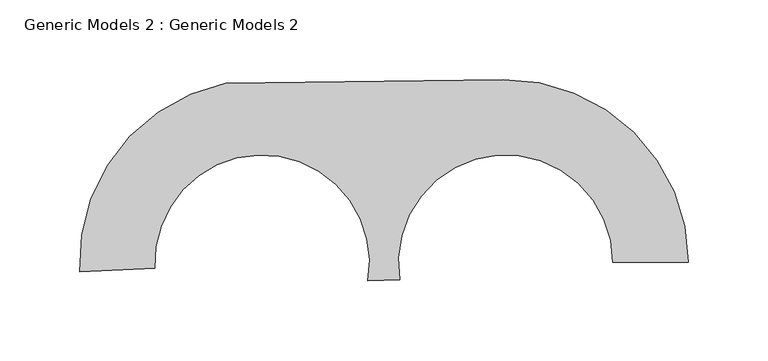
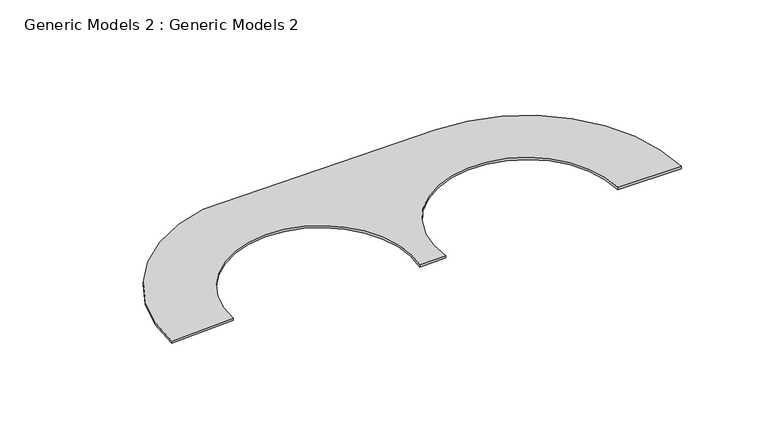
"""IFC4 building model written with IfcOpenShell, lengths in millimetres: proxy geometry, Generic Models 2 : Generic Models 2."""

from ifc_helpers import new_model, si_unit, point, frame, frame_2d, origin, place, context, project, spatial, polyline, circle_curve, trimmed, segment, composite_curve, outline, extrude, source, transform, mapped, element, save


def generic_models_2_generic_models_2_5673172b(model_context):
    return source(origin(), model_context, "Body", "SweptSolid", [
        extrude(outline(composite_curve([segment(trimmed(circle_curve(frame_2d((24.9249503, 26.8183165)), 114.3), [point((-89.2179094, 20.8268587))], [point((2.2682604, 138.8502959))], False, "CARTESIAN"), True, "CONTINUOUS"), segment(polyline([(2.2682604, 138.8502959), (175.8378976, 141.1086427)]), True, "CONTINUOUS"), segment(trimmed(circle_curve(frame_2d((177.3249503, 26.8183165)), 114.3), [point((175.8378976, 141.1086427))], [point((291.6249503, 26.8183165))], False, "CARTESIAN"), True, "CONTINUOUS"), segment(polyline([(291.6249503, 26.8183165), (244.5796967, 26.8183165)]), True, "CONTINUOUS"), segment(trimmed(circle_curve(frame_2d((177.3249503, 26.8183165)), 67.2547464), [point((244.5796967, 26.8183165))], [point((110.9423842, 16.022214))], True, "CARTESIAN"), True, "CONTINUOUS"), segment(polyline([(110.9423842, 16.022214), (91.1697191, 15.2066194)]), True, "CONTINUOUS"), segment(trimmed(circle_curve(frame_2d((24.9249503, 26.8183165)), 67.2547464), [point((91.1697191, 15.2066194))], [point((-42.2373339, 23.2929099))], True, "CARTESIAN"), True, "CONTINUOUS"), segment(polyline([(-42.2373339, 23.2929099), (-89.2179094, 20.8268587)]), True, "CONTINUOUS")], self_intersect=False)), frame((0.0, 0.0, 367.8873414), z_axis=(0.0, 0.0, 1.0), x_axis=(1.0, 0.0, 0.0)), (0.0, 0.0, 1.0), 1.6653177),
    ])


if __name__ == "__main__":
    model = new_model("IFC4")
    model_context = context("Model", 3, world=origin())
    ifc_project = project(units=[si_unit("LENGTHUNIT", "METRE", prefix="MILLI")], contexts=[model_context])
    site = spatial("IfcSite", under=ifc_project)
    building = spatial("IfcBuilding", under=site)
    placement = place(None, origin())
    generic_models_2_generic_models_2_shape = generic_models_2_generic_models_2_5673172b(model_context)
    element("IfcBuildingElementProxy", 1, Name="Generic Models 2 : Generic Models 2", ObjectType="Generic Models 2 : Generic Models 2", at=placement, inside=building, context=model_context, shape_type="MappedRepresentation", body=[
        mapped(generic_models_2_generic_models_2_shape, transform((0.0, 0.0, 0.0), x_axis=(1.0, 0.0, 0.0), y_axis=(0.0, 1.0, 0.0), z_axis=(0.0, 0.0, 1.0))),
    ])
    save(model, "model.ifc")
